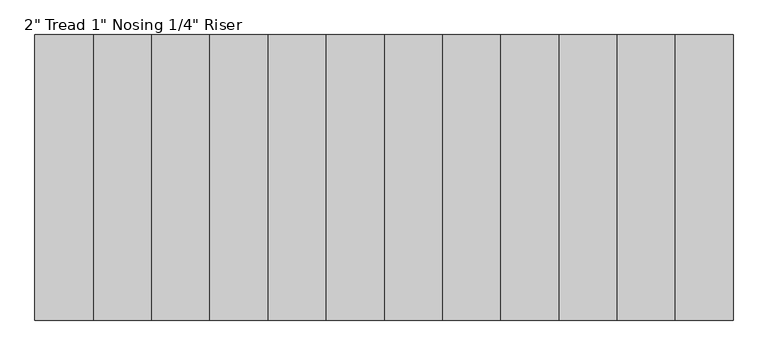
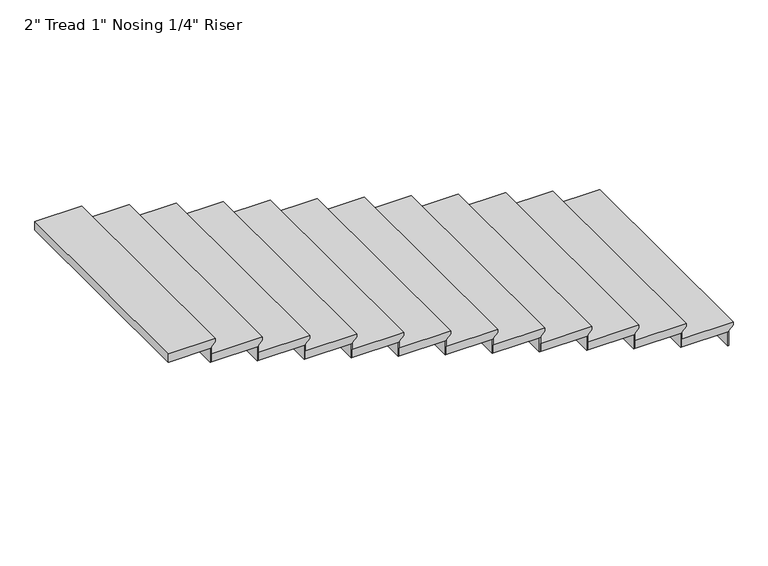
"""IFC4 building model written with IfcOpenShell, lengths in millimetres: stair flight geometry."""

from ifc_helpers import new_model, si_unit, frame, origin, place, context, project, spatial, polyline, outline, extrude, source, transform, mapped, element, save


def stair_flight_36106d38(model_context):
    return source(origin(), model_context, "Body", "SweptSolid", [
        extrude(outline(polyline([(1060.173913, -511321.2106288), (1060.173913, -511626.0106288), (1009.373913, -511626.0106288), (1009.373913, -511346.6106288), (1015.723913, -511346.6106288), (1041.123913, -511321.2106288), (1060.173913, -511321.2106288)])), frame((0.0, -1142.5413899, 0.0), z_axis=(0.0, 1.0, 0.0), x_axis=(0.0, 0.0, 1.0)), (0.0, 0.0, 1.0), 1371.6),
        extrude(outline(polyline([(-511352.9606288, 229.0586101), (-511346.6106288, 229.0586101), (-511346.6106288, -1142.5413899), (-511352.9606288, -1142.5413899), (-511352.9606288, 229.0586101)])), frame((0.0, 0.0, 921.026087), z_axis=(0.0, 0.0, 1.0), x_axis=(1.0, 0.0, 0.0)), (0.0, 0.0, 1.0), 88.3478261),
        extrude(outline(polyline([(-511632.3606288, 229.0586101), (-511626.0106288, 229.0586101), (-511626.0106288, -1142.5413899), (-511632.3606288, -1142.5413899), (-511632.3606288, 229.0586101)])), frame((0.0, 0.0, 1009.373913), z_axis=(0.0, 0.0, 1.0), x_axis=(1.0, 0.0, 0.0)), (0.0, 0.0, 1.0), 88.3478261),
        extrude(outline(polyline([(1148.5217391, -511600.6106288), (1148.5217391, -511905.4106288), (1097.7217391, -511905.4106288), (1097.7217391, -511626.0106288), (1104.0717391, -511626.0106288), (1129.4717391, -511600.6106288), (1148.5217391, -511600.6106288)])), frame((0.0, -1142.5413899, 0.0), z_axis=(0.0, 1.0, 0.0), x_axis=(0.0, 0.0, 1.0)), (0.0, 0.0, 1.0), 1371.6),
        extrude(outline(polyline([(-511911.7606288, 229.0586101), (-511905.4106288, 229.0586101), (-511905.4106288, -1142.5413899), (-511911.7606288, -1142.5413899), (-511911.7606288, 229.0586101)])), frame((0.0, 0.0, 1097.7217391), z_axis=(0.0, 0.0, 1.0), x_axis=(1.0, 0.0, 0.0)), (0.0, 0.0, 1.0), 88.3478261),
        extrude(outline(polyline([(1236.8695652, -511880.0106288), (1236.8695652, -512184.8106288), (1186.0695652, -512184.8106288), (1186.0695652, -511905.4106288), (1192.4195652, -511905.4106288), (1217.8195652, -511880.0106288), (1236.8695652, -511880.0106288)])), frame((0.0, -1142.5413899, 0.0), z_axis=(0.0, 1.0, 0.0), x_axis=(0.0, 0.0, 1.0)), (0.0, 0.0, 1.0), 1371.6),
        extrude(outline(polyline([(-512191.1606288, 229.0586101), (-512184.8106288, 229.0586101), (-512184.8106288, -1142.5413899), (-512191.1606288, -1142.5413899), (-512191.1606288, 229.0586101)])), frame((0.0, 0.0, 1186.0695652), z_axis=(0.0, 0.0, 1.0), x_axis=(1.0, 0.0, 0.0)), (0.0, 0.0, 1.0), 88.3478261),
        extrude(outline(polyline([(1325.2173913, -512159.4106288), (1325.2173913, -512464.2106288), (1274.4173913, -512464.2106288), (1274.4173913, -512184.8106288), (1280.7673913, -512184.8106288), (1306.1673913, -512159.4106288), (1325.2173913, -512159.4106288)])), frame((0.0, -1142.5413899, 0.0), z_axis=(0.0, 1.0, 0.0), x_axis=(0.0, 0.0, 1.0)), (0.0, 0.0, 1.0), 1371.6),
        extrude(outline(polyline([(-512470.5606288, 229.0586101), (-512464.2106288, 229.0586101), (-512464.2106288, -1142.5413899), (-512470.5606288, -1142.5413899), (-512470.5606288, 229.0586101)])), frame((0.0, 0.0, 1274.4173913), z_axis=(0.0, 0.0, 1.0), x_axis=(1.0, 0.0, 0.0)), (0.0, 0.0, 1.0), 88.3478261),
        extrude(outline(polyline([(1413.5652174, -512438.8106288), (1413.5652174, -512743.6106288), (1362.7652174, -512743.6106288), (1362.7652174, -512464.2106288), (1369.1152174, -512464.2106288), (1394.5152174, -512438.8106288), (1413.5652174, -512438.8106288)])), frame((0.0, -1142.5413899, 0.0), z_axis=(0.0, 1.0, 0.0), x_axis=(0.0, 0.0, 1.0)), (0.0, 0.0, 1.0), 1371.6),
        extrude(outline(polyline([(-512749.9606288, 229.0586101), (-512743.6106288, 229.0586101), (-512743.6106288, -1142.5413899), (-512749.9606288, -1142.5413899), (-512749.9606288, 229.0586101)])), frame((0.0, 0.0, 1362.7652174), z_axis=(0.0, 0.0, 1.0), x_axis=(1.0, 0.0, 0.0)), (0.0, 0.0, 1.0), 88.3478261),
        extrude(outline(polyline([(1501.9130435, -512718.2106288), (1501.9130435, -513023.0106288), (1451.1130435, -513023.0106288), (1451.1130435, -512743.6106288), (1457.4630435, -512743.6106288), (1482.8630435, -512718.2106288), (1501.9130435, -512718.2106288)])), frame((0.0, -1142.5413899, 0.0), z_axis=(0.0, 1.0, 0.0), x_axis=(0.0, 0.0, 1.0)), (0.0, 0.0, 1.0), 1371.6),
        extrude(outline(polyline([(-513029.3606288, 229.0586101), (-513023.0106288, 229.0586101), (-513023.0106288, -1142.5413899), (-513029.3606288, -1142.5413899), (-513029.3606288, 229.0586101)])), frame((0.0, 0.0, 1451.1130435), z_axis=(0.0, 0.0, 1.0), x_axis=(1.0, 0.0, 0.0)), (0.0, 0.0, 1.0), 88.3478261),
        extrude(outline(polyline([(1590.2608696, -512997.6106288), (1590.2608696, -513302.4106288), (1539.4608696, -513302.4106288), (1539.4608696, -513023.0106288), (1545.8108696, -513023.0106288), (1571.2108696, -512997.6106288), (1590.2608696, -512997.6106288)])), frame((0.0, -1142.5413899, 0.0), z_axis=(0.0, 1.0, 0.0), x_axis=(0.0, 0.0, 1.0)), (0.0, 0.0, 1.0), 1371.6),
        extrude(outline(polyline([(-513308.7606288, 229.0586101), (-513302.4106288, 229.0586101), (-513302.4106288, -1142.5413899), (-513308.7606288, -1142.5413899), (-513308.7606288, 229.0586101)])), frame((0.0, 0.0, 1539.4608696), z_axis=(0.0, 0.0, 1.0), x_axis=(1.0, 0.0, 0.0)), (0.0, 0.0, 1.0), 88.3478261),
        extrude(outline(polyline([(1678.6086957, -513277.0106288), (1678.6086957, -513581.8106288), (1627.8086957, -513581.8106288), (1627.8086957, -513302.4106288), (1634.1586957, -513302.4106288), (1659.5586957, -513277.0106288), (1678.6086957, -513277.0106288)])), frame((0.0, -1142.5413899, 0.0), z_axis=(0.0, 1.0, 0.0), x_axis=(0.0, 0.0, 1.0)), (0.0, 0.0, 1.0), 1371.6),
        extrude(outline(polyline([(-513588.1606288, 229.0586101), (-513581.8106288, 229.0586101), (-513581.8106288, -1142.5413899), (-513588.1606288, -1142.5413899), (-513588.1606288, 229.0586101)])), frame((0.0, 0.0, 1627.8086957), z_axis=(0.0, 0.0, 1.0), x_axis=(1.0, 0.0, 0.0)), (0.0, 0.0, 1.0), 88.3478261),
        extrude(outline(polyline([(1766.9565217, -513556.4106288), (1766.9565217, -513861.2106288), (1716.1565217, -513861.2106288), (1716.1565217, -513581.8106288), (1722.5065217, -513581.8106288), (1747.9065217, -513556.4106288), (1766.9565217, -513556.4106288)])), frame((0.0, -1142.5413899, 0.0), z_axis=(0.0, 1.0, 0.0), x_axis=(0.0, 0.0, 1.0)), (0.0, 0.0, 1.0), 1371.6),
        extrude(outline(polyline([(-513867.5606288, 229.0586101), (-513861.2106288, 229.0586101), (-513861.2106288, -1142.5413899), (-513867.5606288, -1142.5413899), (-513867.5606288, 229.0586101)])), frame((0.0, 0.0, 1716.1565217), z_axis=(0.0, 0.0, 1.0), x_axis=(1.0, 0.0, 0.0)), (0.0, 0.0, 1.0), 88.3478261),
        extrude(outline(polyline([(1855.3043478, -513835.8106288), (1855.3043478, -514140.6106288), (1804.5043478, -514140.6106288), (1804.5043478, -513861.2106288), (1810.8543478, -513861.2106288), (1836.2543478, -513835.8106288), (1855.3043478, -513835.8106288)])), frame((0.0, -1142.5413899, 0.0), z_axis=(0.0, 1.0, 0.0), x_axis=(0.0, 0.0, 1.0)), (0.0, 0.0, 1.0), 1371.6),
        extrude(outline(polyline([(-514146.9606288, 229.0586101), (-514140.6106288, 229.0586101), (-514140.6106288, -1142.5413899), (-514146.9606288, -1142.5413899), (-514146.9606288, 229.0586101)])), frame((0.0, 0.0, 1804.5043478), z_axis=(0.0, 0.0, 1.0), x_axis=(1.0, 0.0, 0.0)), (0.0, 0.0, 1.0), 88.3478261),
        extrude(outline(polyline([(1943.6521739, -514115.2106288), (1943.6521739, -514420.0106288), (1892.8521739, -514420.0106288), (1892.8521739, -514140.6106288), (1899.2021739, -514140.6106288), (1924.6021739, -514115.2106288), (1943.6521739, -514115.2106288)])), frame((0.0, -1142.5413899, 0.0), z_axis=(0.0, 1.0, 0.0), x_axis=(0.0, 0.0, 1.0)), (0.0, 0.0, 1.0), 1371.6),
        extrude(outline(polyline([(-514426.3606288, 229.0586101), (-514420.0106288, 229.0586101), (-514420.0106288, -1142.5413899), (-514426.3606288, -1142.5413899), (-514426.3606288, 229.0586101)])), frame((0.0, 0.0, 1892.8521739), z_axis=(0.0, 0.0, 1.0), x_axis=(1.0, 0.0, 0.0)), (0.0, 0.0, 1.0), 88.3478261),
        extrude(outline(polyline([(2032.0, -514394.6106288), (2032.0, -514674.0106288), (1981.2, -514674.0106288), (1981.2, -514420.0106288), (1987.55, -514420.0106288), (2012.95, -514394.6106288), (2032.0, -514394.6106288)])), frame((0.0, -1142.5413899, 0.0), z_axis=(0.0, 1.0, 0.0), x_axis=(0.0, 0.0, 1.0)), (0.0, 0.0, 1.0), 1371.6),
    ])


if __name__ == "__main__":
    model = new_model("IFC4")
    model_context = context("Model", 3, world=origin())
    ifc_project = project(units=[si_unit("LENGTHUNIT", "METRE", prefix="MILLI")], contexts=[model_context])
    site = spatial("IfcSite", under=ifc_project)
    building = spatial("IfcBuilding", under=site)
    placement = place(None, origin())
    stair_flight_shape = stair_flight_36106d38(model_context)
    element("IfcStairFlight", 1, ObjectType="2\" Tread 1\" Nosing 1/4\" Riser", at=placement, inside=building, context=model_context, shape_type="MappedRepresentation", body=[
        mapped(stair_flight_shape, transform((0.0, 0.0, 0.0), x_axis=(1.0, 0.0, 0.0), y_axis=(0.0, 1.0, 0.0), z_axis=(0.0, 0.0, 1.0))),
    ])
    save(model, "model.ifc")
